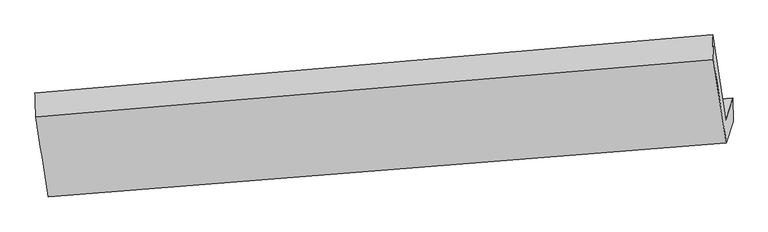
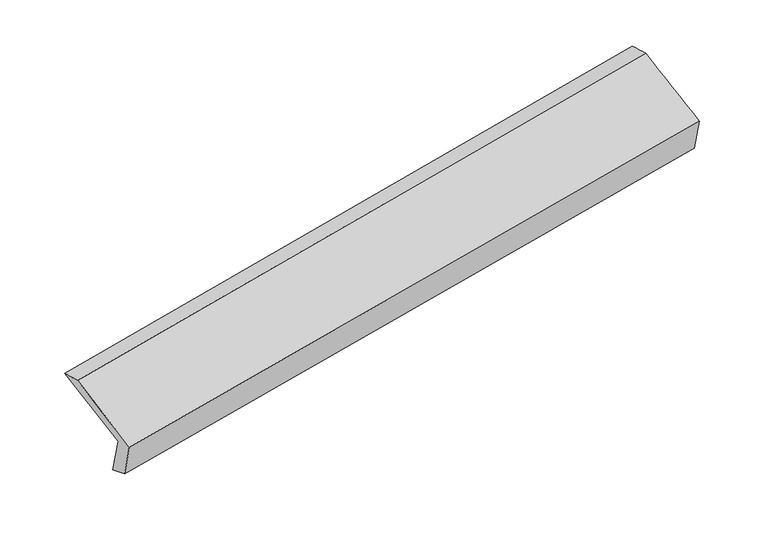
"""IFC4 building model written with IfcOpenShell, lengths in millimetres: proxy geometry."""

from ifc_helpers import new_model, si_unit, frame, origin, place, context, project, spatial, source, transform, mapped, element, save
from ifc_brep_helpers import plane_surface, spline_surface, advanced_brep


def generic_models_9ddaf95c(model_context):
    return source(origin(), model_context, "Body", "AdvancedBrep", [
        advanced_brep(
        [(-5323.0635572, -1884.7545308, 1500.6843646), (-5415.9233948, -1279.432035, 1760.0489337), (-470.0138325, -853.8035511, 2635.2789967), (-375.1296548, -1475.1126667, 2369.0026549), (-5269.5725771, -1718.1206324, 1130.9342333), (-323.9669262, -1315.7316851, 2015.3462892), (-5268.5403011, -1885.0671291, 1196.5578933), (-321.1932121, -1485.7599435, 2072.0922092), (-5318.2292702, -2039.8570883, 1540.0270693), (-371.7357601, -1643.2089526, 2421.4616494), (-5409.9870315, -1454.4733883, 1801.7672101), (-464.8756445, -1033.3216076, 2682.8429281)],
        [
            (0, 1),
            (1, 2),
            (2, 3),
            (3, 0),
            (4, 0),
            (3, 5),
            (5, 4),
            (6, 4),
            (5, 7),
            (7, 6),
            (8, 6),
            (7, 9),
            (9, 8),
            (10, 8),
            (9, 11),
            (11, 10),
            (1, 10),
            (11, 2),
        ],
        [
            spline_surface(1, 1, [[(-5323.0635572, -1884.7545308, 1500.6843646), (-375.1296548, -1475.1126667, 2369.0026549)], [(-5415.9233948, -1279.432035, 1760.0489337), (-470.0138325, -853.8035511, 2635.2789967)]], [2, 2], [2, 2], [0.0, 1.0], [0.0, 1.0]),
            plane_surface(frame((-5296.3180672, -1801.4375816, 1315.8092989), z_axis=(-0.1436397103597678, 0.9098584507458611, 0.38926242204212763), x_axis=(-0.13076044509912588, -0.40734199794621895, 0.9038662526649953))),
            spline_surface(1, 1, [[(-5268.5403011, -1885.0671291, 1196.5578933), (-321.1932121, -1485.7599435, 2072.0922092)], [(-5269.5725771, -1718.1206324, 1130.9342333), (-323.9669262, -1315.7316851, 2015.3462892)]], [2, 2], [2, 2], [0.0, 1.0], [0.0, 1.0]),
            plane_surface(frame((-5293.3847856, -1962.4621087, 1368.2924813), z_axis=(0.14237255770222096, -0.9099596417074092, -0.3894913417228317), x_axis=(0.13076044509912513, 0.4073419979462177, -0.903866252664996))),
            spline_surface(1, 1, [[(-5409.9870315, -1454.4733883, 1801.7672101), (-464.8756445, -1033.3216076, 2682.8429281)], [(-5318.2292702, -2039.8570883, 1540.0270693), (-371.7357601, -1643.2089526, 2421.4616494)]], [2, 2], [2, 2], [0.0, 1.0], [0.0, 1.0]),
            spline_surface(1, 1, [[(-5415.9233948, -1279.432035, 1760.0489337), (-470.0138325, -853.8035511, 2635.2789967)], [(-5409.9870315, -1454.4733883, 1801.7672101), (-464.8756445, -1033.3216076, 2682.8429281)]], [2, 2], [2, 2], [0.0, 1.0], [0.0, 1.0]),
            plane_surface(frame((-387.8191717, -1301.1564011, 2366.0041212), z_axis=(0.9816206455539818, 0.07463350398219265, 0.1756438108944465), x_axis=(0.13076044509912513, 0.4073419979462177, -0.903866252664996))),
            plane_surface(frame((-5334.2193553, -1710.284134, 1488.3366174), z_axis=(-0.9815326620889713, -0.07520832997434601, -0.17589013717376928), x_axis=(0.1396257112785023, -0.9101737217760437, -0.38998520092218536))),
        ],
        [
            (0, [[1, 2, 3, 4]]),
            (1, [[5, -4, 6, 7]]),
            (2, [[8, -7, 9, 10]]),
            (3, [[11, -10, 12, 13]]),
            (4, [[14, -13, 15, 16]]),
            (5, [[17, -16, 18, -2]]),
            (6, [[-12, -9, -6, -3, -18, -15]]),
            (7, [[-1, -5, -8, -11, -14, -17]]),
        ],
    ),
    ])


if __name__ == "__main__":
    model = new_model("IFC4")
    model_context = context("Model", 3, world=origin())
    ifc_project = project(units=[si_unit("LENGTHUNIT", "METRE", prefix="MILLI")], contexts=[model_context])
    site = spatial("IfcSite", under=ifc_project)
    building = spatial("IfcBuilding", under=site)
    placement = place(None, origin())
    generic_models_shape = generic_models_9ddaf95c(model_context)
    element("IfcBuildingElementProxy", 1, Name="Generic Models", at=placement, inside=building, context=model_context, shape_type="MappedRepresentation", body=[
        mapped(generic_models_shape, transform((0.0, 0.0, 0.0), x_axis=(1.0, 0.0, 0.0), y_axis=(0.0, 1.0, 0.0), z_axis=(0.0, 0.0, 1.0))),
    ])
    save(model, "model.ifc")
